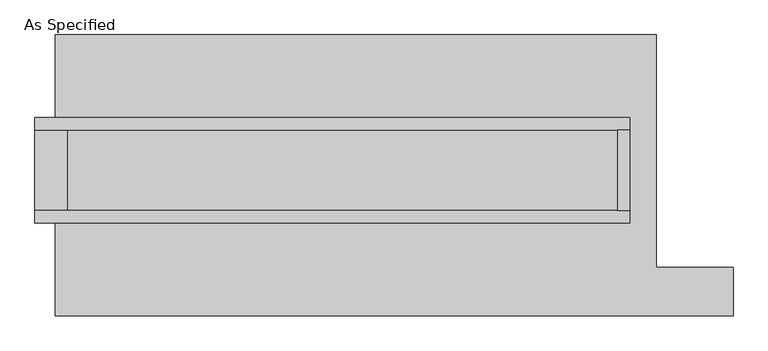
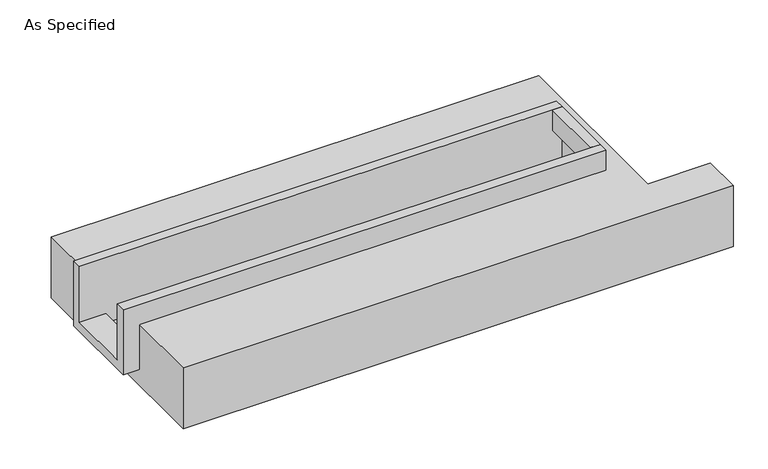
"""IFC4 building model written with IfcOpenShell, lengths in millimetres: proxy geometry, As Specified."""

import ifcopenshell
import ifcopenshell.guid

model = None  # the IFC model being written
_history = None  # IfcOwnerHistory: only IFC2X3 demands one
_inside = {}  # id of a spatial element -> (the spatial element, [elements in it])
_under = {}  # id of a project, library or spatial element -> (it, [spatial elements below it])
_declared = {}  # id of a project -> (the project, [libraries it declares])
_typed = {}  # id of a type object -> (the type object, [elements of that type])
_made_of = {}  # id of a material, layer set ... -> (it, [elements and type objects made of it])


def new_model(schema):
    """Start an empty IFC model of exactly this schema.

    Asked for "IFC4X3", IfcOpenShell would pick the latest addendum, in which some entities
    have other attributes; the version numbers below select the first issue.
    IFC2X3 requires an IfcOwnerHistory on every rooted entity: one is made here for all.
    """
    global model, _history
    if schema == "IFC4X3":
        model = ifcopenshell.file(schema_version=(4, 3, 0, 0))
    else:
        model = ifcopenshell.file(schema=schema)
    _inside.clear()
    _under.clear()
    _declared.clear()
    _typed.clear()
    _made_of.clear()
    _history = None
    if model.schema == "IFC2X3":
        org = make("IfcOrganization", Name="unknown")
        user = make(
            "IfcPersonAndOrganization",
            ThePerson=make("IfcPerson", FamilyName="unknown"),
            TheOrganization=org,
        )
        app = make(
            "IfcApplication",
            ApplicationDeveloper=org,
            Version="unknown",
            ApplicationFullName="unknown",
            ApplicationIdentifier="unknown",
        )
        _history = make(
            "IfcOwnerHistory",
            OwningUser=user,
            OwningApplication=app,
            ChangeAction="ADDED",
            CreationDate=0,
        )
    return model


def make(cls, **values):
    """One entity of the class cls with the attributes given. An attribute that is None is left unset."""
    return model.create_entity(
        cls, **{name: value for name, value in values.items() if value is not None}
    )


def rooted(cls, **values):
    """An entity with a GlobalId (a new one), such as an element, a storey or a relation."""
    return make(cls, GlobalId=ifcopenshell.guid.new(), OwnerHistory=_history, **values)


def si_unit(unit_type, name, prefix=None):
    """IfcSIUnit, for example si_unit("LENGTHUNIT", "METRE", prefix="MILLI")."""
    return make("IfcSIUnit", UnitType=unit_type, Prefix=prefix, Name=name)


def assignment(units):
    """IfcUnitAssignment: the units of a project."""
    return None if units is None else make("IfcUnitAssignment", Units=units)


def point(xyz):
    """IfcCartesianPoint."""
    return None if xyz is None else make("IfcCartesianPoint", Coordinates=xyz)


def direction(xyz):
    """IfcDirection."""
    return None if xyz is None else make("IfcDirection", DirectionRatios=xyz)


def frame(location, z_axis=None, x_axis=None):
    """IfcAxis2Placement3D, a coordinate frame: its origin and axes. An axis left out is left unset."""
    return make(
        "IfcAxis2Placement3D",
        Location=point(location),
        Axis=direction(z_axis),
        RefDirection=direction(x_axis),
    )


def origin():
    """The frame at (0, 0, 0) with its axes left unset."""
    return frame((0.0, 0.0, 0.0))


def place(relative_to, where):
    """IfcLocalPlacement: puts the frame where relative to a parent placement (None: the world)."""
    return make(
        "IfcLocalPlacement", PlacementRelTo=relative_to, RelativePlacement=where
    )


def context(
    kind, dimensions, precision=None, world=None, true_north=None, identifier=None
):
    """IfcGeometricRepresentationContext, for example the 3D "Model" context."""
    return make(
        "IfcGeometricRepresentationContext",
        ContextIdentifier=identifier,
        ContextType=kind,
        CoordinateSpaceDimension=dimensions,
        Precision=precision,
        WorldCoordinateSystem=world,
        TrueNorth=true_north,
    )


def project(units=None, contexts=None):
    """IfcProject with its units and contexts."""
    return rooted(
        "IfcProject",
        Name="project",
        RepresentationContexts=contexts,
        UnitsInContext=assignment(units),
    )


def spatial(cls, under=None, at=None, **own):
    """A site, building, storey or space (cls), placed at a placement, below another one or the project."""
    s = rooted(cls, ObjectPlacement=at, **own)
    if under is not None:
        _under.setdefault(under.id(), (under, []))[1].append(s)
    return s


def polyline(points):
    """IfcPolyline through the points."""
    return make("IfcPolyline", Points=[point(p) for p in points])


def outline(outer, holes=None, kind="AREA"):
    """IfcArbitraryClosedProfileDef: a profile drawn as a closed curve; with holes, ...WithVoids."""
    if holes is None:
        return make("IfcArbitraryClosedProfileDef", ProfileType=kind, OuterCurve=outer)
    return make(
        "IfcArbitraryProfileDefWithVoids",
        ProfileType=kind,
        OuterCurve=outer,
        InnerCurves=holes,
    )


def extrude(swept, where, along, depth):
    """IfcExtrudedAreaSolid: the profile swept, set in the frame where, extruded along a direction by depth."""
    return make(
        "IfcExtrudedAreaSolid",
        SweptArea=swept,
        Position=where,
        ExtrudedDirection=direction(along),
        Depth=depth,
    )


def faces_of(points, faces, orient=None, outer=None):
    """IfcFace entities. A face is a list of loops; a loop is a list of indices into points, from 0.

    orient and outer hold one flag for each loop. By default every Orientation is true, the
    first loop of a face is its IfcFaceOuterBound and the others are IfcFaceBound.
    """
    made = []
    for i, loops in enumerate(faces):
        bounds = []
        for j, loop in enumerate(loops):
            is_outer = j == 0 if outer is None else outer[i][j]
            bounds.append(
                make(
                    "IfcFaceOuterBound" if is_outer else "IfcFaceBound",
                    Bound=make("IfcPolyLoop", Polygon=[points[k] for k in loop]),
                    Orientation=True if orient is None else orient[i][j],
                )
            )
        made.append(make("IfcFace", Bounds=bounds))
    return made


def faceted_brep(points, faces, orient=None, outer=None, voids=None):
    """IfcFacetedBrep: a solid bounded by flat faces; with voids (closed shells), ...WithVoids."""
    shared = [point(p) for p in points]
    hull = make("IfcClosedShell", CfsFaces=faces_of(shared, faces, orient, outer))
    if voids is None:
        return make("IfcFacetedBrep", Outer=hull)
    return make(
        "IfcFacetedBrepWithVoids",
        Outer=hull,
        Voids=[
            make(cls, CfsFaces=faces_of(shared, fs, o, b)) for cls, fs, o, b in voids
        ],
    )


def shape(context_of_items, identifier, shape_type, items):
    """IfcShapeRepresentation: the items that make up one representation, for example the "Body"."""
    return make(
        "IfcShapeRepresentation",
        ContextOfItems=context_of_items,
        RepresentationIdentifier=identifier,
        RepresentationType=shape_type,
        Items=items,
    )


def source(mapping_origin, context_of_items, identifier, shape_type, items):
    """IfcRepresentationMap: a shape defined once, which mapped items show again and again."""
    return make(
        "IfcRepresentationMap",
        MappingOrigin=mapping_origin,
        MappedRepresentation=shape(context_of_items, identifier, shape_type, items),
    )


def transform(
    local_origin,
    x_axis=None,
    y_axis=None,
    z_axis=None,
    scale=None,
    scale2=None,
    scale3=None,
    uniform=True,
):
    """IfcCartesianTransformationOperator3D, or its non-uniform kind. x_axis, y_axis, z_axis: its Axis1, 2, 3."""
    if uniform:
        return make(
            "IfcCartesianTransformationOperator3D",
            Axis1=direction(x_axis),
            Axis2=direction(y_axis),
            LocalOrigin=point(local_origin),
            Scale=scale,
            Axis3=direction(z_axis),
        )
    return make(
        "IfcCartesianTransformationOperator3DnonUniform",
        Axis1=direction(x_axis),
        Axis2=direction(y_axis),
        LocalOrigin=point(local_origin),
        Scale=scale,
        Axis3=direction(z_axis),
        Scale2=scale2,
        Scale3=scale3,
    )


def mapped(mapping_source, mapping_target):
    """IfcMappedItem: shows the shape of a source again, moved by a transform."""
    return make(
        "IfcMappedItem", MappingSource=mapping_source, MappingTarget=mapping_target
    )


def made_of(thing, what):
    """Note that an element or type object is made of a material, layer set ...; save() writes the relation."""
    if what is not None:
        _made_of.setdefault(what.id(), (what, []))[1].append(thing)
    return thing


def element(
    cls,
    number,
    at=None,
    inside=None,
    cuts=None,
    type_object=None,
    material=None,
    context=None,
    identifier="Body",
    shape_type=None,
    held_by="IfcProductDefinitionShape",
    body=None,
    shapes=None,
    **own,
):
    """One element of the class cls, such as IfcWall. Its Tag is "e" and its number.

    at: its placement. inside: the storey or other place that contains it. cuts: it is an
    opening in that element (IfcRelVoidsElement). A single representation is given by context,
    identifier, shape_type and body (its items); several are given by shapes. held_by: the class
    of the entity that holds the representations. save() writes the other relations.
    """
    e = rooted(cls, Tag="e%d" % number, ObjectPlacement=at, **own)
    if body is not None:
        shapes = [shape(context, identifier, shape_type, body)]
    if shapes is not None:
        e.Representation = make(held_by, Representations=shapes)
    if inside is not None:
        _inside.setdefault(inside.id(), (inside, []))[1].append(e)
    if cuts is not None:
        rooted(
            "IfcRelVoidsElement", RelatingBuildingElement=cuts, RelatedOpeningElement=e
        )
    if type_object is not None:
        _typed.setdefault(type_object.id(), (type_object, []))[1].append(e)
    return made_of(e, material)


def aggregate(whole, parts):
    """IfcRelAggregates: a whole, such as a stair, and the parts it consists of."""
    return rooted("IfcRelAggregates", RelatingObject=whole, RelatedObjects=parts)


def save(model, path):
    """Write the relations noted so far, then the file.

    IfcRelAggregates (storeys below a building ...), IfcRelContainedInSpatialStructure (elements
    in a storey), IfcRelDefinesByType, IfcRelAssociatesMaterial and IfcRelDeclares: one each for
    every whole, place, type object, material and project.
    """
    for whole, parts in _under.values():
        aggregate(whole, parts)
    for where, things in _inside.values():
        rooted(
            "IfcRelContainedInSpatialStructure",
            RelatedElements=things,
            RelatingStructure=where,
        )
    for kind, things in _typed.values():
        rooted("IfcRelDefinesByType", RelatedObjects=things, RelatingType=kind)
    for what, things in _made_of.values():
        rooted("IfcRelAssociatesMaterial", RelatedObjects=things, RelatingMaterial=what)
    for by, libraries in _declared.values():
        rooted("IfcRelDeclares", RelatingContext=by, RelatedDefinitions=libraries)
    model.write(path)


def as_specified_30862b7a(model_context):
    return source(origin(), model_context, "Body", "SolidModel", [
        extrude(outline(polyline([(1644.65, 285.75), (1720.85, 285.75), (1720.85, -222.25), (1644.65, -222.25), (1644.65, 285.75)])), frame((0.0, 0.0, -25.4), z_axis=(0.0, 0.0, 1.0), x_axis=(1.0, 0.0, 0.0)), (0.0, 0.0, 1.0), 165.1),
        faceted_brep([(1720.85, 285.75, 139.7), (1720.85, 285.75, -317.5), (1720.85, -222.25, -317.5), (1720.85, -222.25, 139.7), (1720.85, -298.45, 139.7), (1720.85, -298.45, -393.7), (1720.85, 361.95, -393.7), (1720.85, 361.95, 139.7), (-2012.95, 285.75, 139.7), (-2012.95, 361.95, 139.7), (-2012.95, 361.95, -393.7), (-2012.95, -298.45, -393.7), (-2012.95, -298.45, 139.7), (-2012.95, -222.25, 139.7), (-2012.95, -222.25, -317.5), (-2012.95, 285.75, -317.5), (-1809.75, 285.75, -393.7), (-1809.75, -222.25, -393.7), (1644.65, -222.25, -393.7), (1644.65, 285.75, -393.7), (1644.65, -222.25, -317.5), (-1809.75, -222.25, -317.5), (1644.65, 285.75, -317.5), (-1809.75, 285.75, -317.5)], [[[0, 1, 2, 3, 4, 5, 6, 7]], [[8, 9, 10, 11, 12, 13, 14, 15]], [[0, 7, 9, 8]], [[7, 6, 10, 9]], [[6, 5, 11, 10], [16, 17, 18, 19]], [[4, 3, 13, 12]], [[3, 2, 20, 18, 17, 21, 14, 13]], [[2, 1, 22, 20]], [[15, 14, 21, 23]], [[1, 0, 8, 15, 23, 16, 19, 22]], [[21, 17, 16, 23]], [[18, 20, 22, 19]], [[5, 4, 12, 11]]]),
        faceted_brep([(-1885.95, 882.65, -523.9742188), (1885.95, 882.65, -523.9742188), (1885.95, -577.85, -523.9742188), (2368.55, -577.85, -523.9742188), (2368.55, -882.65, -523.9742188), (-1885.95, -882.65, -523.9742188), (1885.95, 882.65, -25.4), (-1885.95, 882.65, -25.4), (-1885.95, 361.95, -25.4), (1720.85, 361.95, -25.4), (1720.85, -298.45, -25.4), (-1885.95, -298.45, -25.4), (-1885.95, -882.65, -25.4), (2368.55, -882.65, -25.4), (2368.55, -577.85, -25.4), (1885.95, -577.85, -25.4), (-1885.95, -298.45, -393.7), (-1885.95, 361.95, -393.7), (1720.85, 361.95, -393.7), (1720.85, -298.45, -393.7)], [[[0, 1, 2, 3, 4, 5]], [[6, 7, 8, 9, 10, 11, 12, 13, 14, 15]], [[1, 0, 7, 6]], [[7, 0, 5, 12, 11, 16, 17, 8]], [[1, 6, 15, 2]], [[5, 4, 13, 12]], [[18, 19, 10, 9]], [[17, 18, 9, 8]], [[19, 18, 17, 16]], [[19, 16, 11, 10]], [[4, 3, 14, 13]], [[3, 2, 15, 14]]]),
    ])


if __name__ == "__main__":
    model = new_model("IFC4")
    model_context = context("Model", 3, world=origin())
    ifc_project = project(units=[si_unit("LENGTHUNIT", "METRE", prefix="MILLI")], contexts=[model_context])
    site = spatial("IfcSite", under=ifc_project)
    building = spatial("IfcBuilding", under=site)
    placement = place(None, origin())
    as_specified_shape = as_specified_30862b7a(model_context)
    element("IfcBuildingElementProxy", 1, Name="As Specified", ObjectType="As Specified", at=placement, inside=building, context=model_context, shape_type="MappedRepresentation", body=[
        mapped(as_specified_shape, transform((0.0, 0.0, 0.0), x_axis=(1.0, 0.0, 0.0), y_axis=(0.0, 1.0, 0.0), z_axis=(0.0, 0.0, 1.0))),
    ])
    save(model, "model.ifc")
